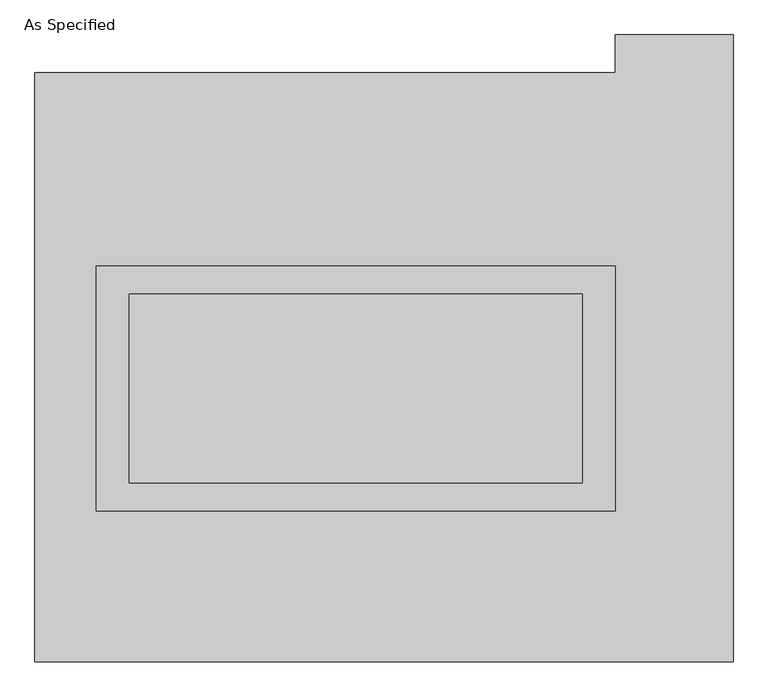
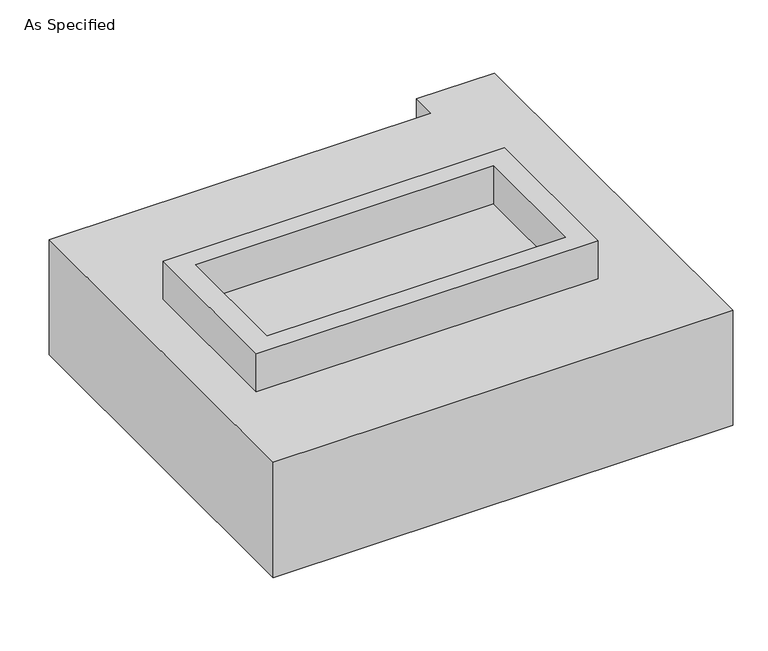
"""IFC4 building model written with IfcOpenShell, lengths in millimetres: proxy geometry, As Specified."""

from ifc_helpers import new_model, si_unit, frame, origin, place, context, project, spatial, polyline, outline, extrude, source, transform, mapped, element, save


def as_specified_d5d1e361(model_context):
    return source(origin(), model_context, "Body", "SweptSolid", [
        extrude(outline(polyline([(698.5, 273.05), (698.5, -387.35), (-698.5, -387.35), (-698.5, 273.05), (698.5, 273.05)]), holes=[polyline([(609.6, 196.85), (-609.6, 196.85), (-609.6, -311.15), (609.6, -311.15), (609.6, 196.85)])]), frame((0.0, 0.0, -688.975), z_axis=(0.0, 0.0, 1.0), x_axis=(1.0, 0.0, 0.0)), (0.0, 0.0, 1.0), 165.1),
        extrude(outline(polyline([(698.5, 273.05), (698.5, -387.35), (-698.5, -387.35), (-698.5, 273.05), (698.5, 273.05)]), holes=[polyline([(609.6, 196.85), (-609.6, 196.85), (-609.6, -311.15), (609.6, -311.15), (609.6, 196.85)])]), frame((0.0, 0.0, -25.4), z_axis=(0.0, 0.0, 1.0), x_axis=(1.0, 0.0, 0.0)), (0.0, 0.0, 1.0), 165.1),
        extrude(outline(polyline([(609.6, 196.85), (609.6, -311.15), (-609.6, -311.15), (-609.6, 196.85), (609.6, 196.85)])), frame((0.0, 0.0, -523.875), z_axis=(0.0, 0.0, 1.0), x_axis=(1.0, 0.0, 0.0)), (0.0, 0.0, 1.0), 4.9609375),
        extrude(outline(polyline([(609.6, 196.85), (609.6, -311.15), (-609.6, -311.15), (-609.6, 196.85), (609.6, 196.85)])), frame((0.0, 0.0, -30.3609375), z_axis=(0.0, 0.0, 1.0), x_axis=(1.0, 0.0, 0.0)), (0.0, 0.0, 1.0), 4.9609375),
        extrude(outline(polyline([(1016.0, -793.75), (-863.6, -793.75), (-863.6, 793.75), (698.5, 793.75), (698.5, 895.35), (1016.0, 895.35), (1016.0, -793.75)]), holes=[polyline([(-698.5, 273.05), (-698.5, -387.35), (698.5, -387.35), (698.5, 273.05), (-698.5, 273.05)])]), frame((0.0, 0.0, -523.875), z_axis=(0.0, 0.0, 1.0), x_axis=(1.0, 0.0, 0.0)), (0.0, 0.0, 1.0), 498.475),
    ])


if __name__ == "__main__":
    model = new_model("IFC4")
    model_context = context("Model", 3, world=origin())
    ifc_project = project(units=[si_unit("LENGTHUNIT", "METRE", prefix="MILLI")], contexts=[model_context])
    site = spatial("IfcSite", under=ifc_project)
    building = spatial("IfcBuilding", under=site)
    placement = place(None, origin())
    as_specified_shape = as_specified_d5d1e361(model_context)
    element("IfcBuildingElementProxy", 1, Name="As Specified", ObjectType="As Specified", at=placement, inside=building, context=model_context, shape_type="MappedRepresentation", body=[
        mapped(as_specified_shape, transform((0.0, 0.0, 0.0), x_axis=(1.0, 0.0, 0.0), y_axis=(0.0, 1.0, 0.0), z_axis=(0.0, 0.0, 1.0))),
    ])
    save(model, "model.ifc")
